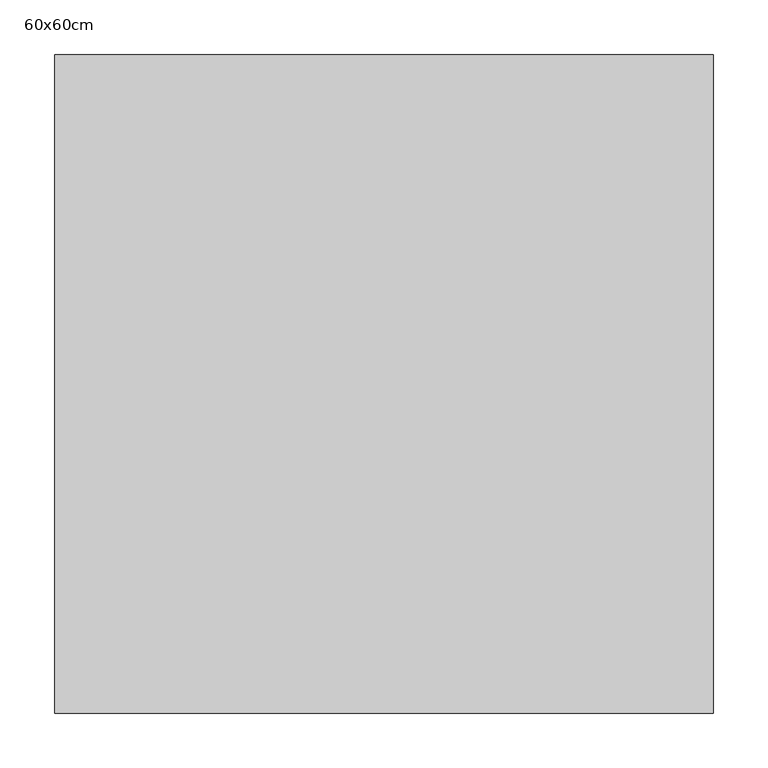
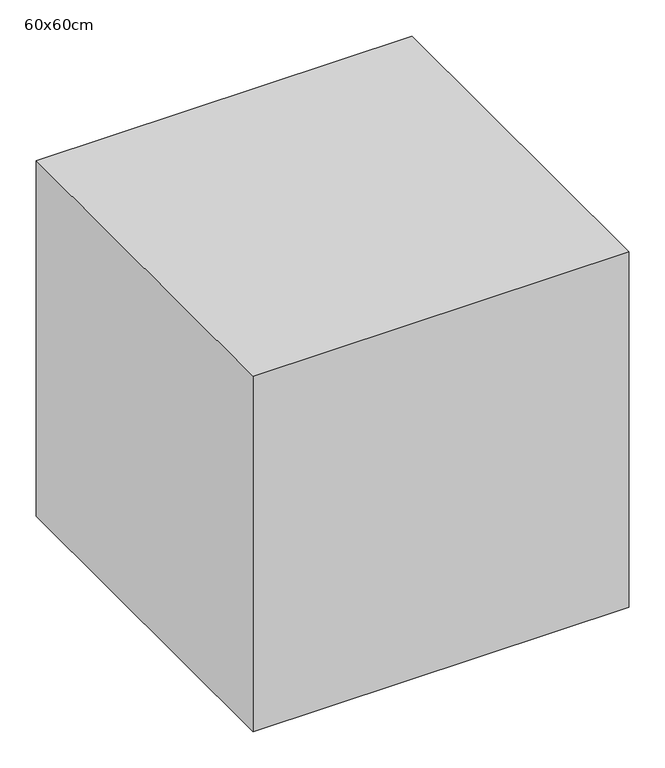
"""IFC4 building model written with IfcOpenShell, lengths in millimetres: proxy geometry, 60x60cm."""

from ifc_helpers import new_model, si_unit, frame, origin, place, context, project, spatial, polyline, outline, extrude, source, transform, mapped, element, save


def proxy_60x60cm_d2994210(model_context):
    return source(origin(), model_context, "Body", "SweptSolid", [
        extrude(outline(polyline([(600.0, 600.0), (600.0, 0.0), (0.0, 0.0), (0.0, 600.0), (600.0, 600.0)])), frame((0.0, 0.0, 3000.0), z_axis=(0.0, 0.0, 1.0), x_axis=(1.0, 0.0, 0.0)), (0.0, 0.0, 1.0), 600.0),
    ])


if __name__ == "__main__":
    model = new_model("IFC4")
    model_context = context("Model", 3, world=origin())
    ifc_project = project(units=[si_unit("LENGTHUNIT", "METRE", prefix="MILLI")], contexts=[model_context])
    site = spatial("IfcSite", under=ifc_project)
    building = spatial("IfcBuilding", under=site)
    placement = place(None, origin())
    proxy_60x60cm_shape = proxy_60x60cm_d2994210(model_context)
    element("IfcBuildingElementProxy", 1, Name="60x60cm", ObjectType="60x60cm", at=placement, inside=building, context=model_context, shape_type="MappedRepresentation", body=[
        mapped(proxy_60x60cm_shape, transform((0.0, 0.0, 0.0), x_axis=(1.0, 0.0, 0.0), y_axis=(0.0, 1.0, 0.0), z_axis=(0.0, 0.0, 1.0))),
    ])
    save(model, "model.ifc")
